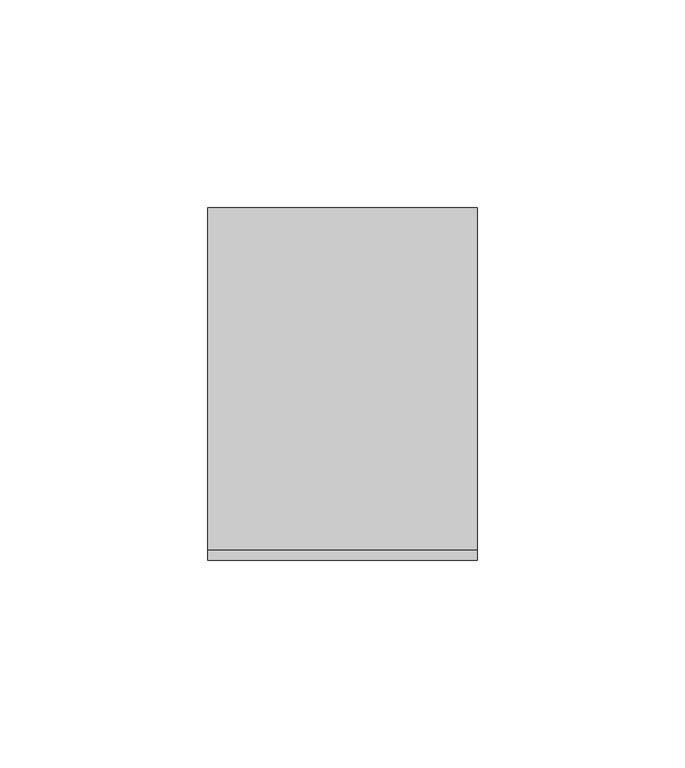
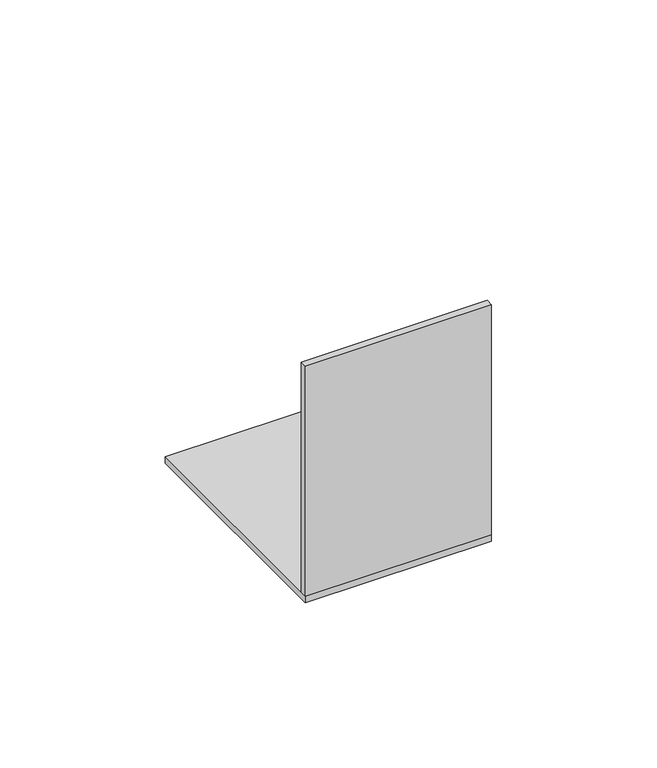
"""IFC4 building model written with IfcOpenShell, lengths in millimetres: proxy geometry."""

from ifc_helpers import new_model, si_unit, frame, origin, origin_with_axes, place, context, project, spatial, polyline, outline, extrude, source, transform, mapped, element, save


def generic_models_b0474d60(model_context):
    return source(origin(), model_context, "Body", "SweptSolid", [
        extrude(outline(polyline([(65.0, 0.0), (0.0, 0.0), (0.0, 2.5), (65.0, 2.5), (65.0, 0.0)])), frame((0.0, 0.0, 2.5), z_axis=(0.0, 0.0, 1.0), x_axis=(1.0, 0.0, 0.0)), (0.0, 0.0, 1.0), 85.0),
        extrude(outline(polyline([(65.0, 85.0), (65.0, 0.0), (0.0, 0.0), (0.0, 85.0), (65.0, 85.0)])), origin_with_axes(), (0.0, 0.0, 1.0), 2.5),
    ])


if __name__ == "__main__":
    model = new_model("IFC4")
    model_context = context("Model", 3, world=origin())
    ifc_project = project(units=[si_unit("LENGTHUNIT", "METRE", prefix="MILLI")], contexts=[model_context])
    site = spatial("IfcSite", under=ifc_project)
    building = spatial("IfcBuilding", under=site)
    placement = place(None, origin())
    generic_models_shape = generic_models_b0474d60(model_context)
    element("IfcBuildingElementProxy", 1, Name="Generic Models", at=placement, inside=building, context=model_context, shape_type="MappedRepresentation", body=[
        mapped(generic_models_shape, transform((0.0, 0.0, 0.0), x_axis=(1.0, 0.0, 0.0), y_axis=(0.0, 1.0, 0.0), z_axis=(0.0, 0.0, 1.0))),
    ])
    save(model, "model.ifc")
